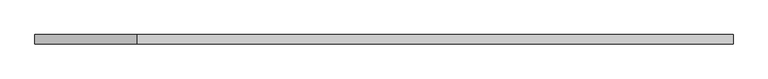
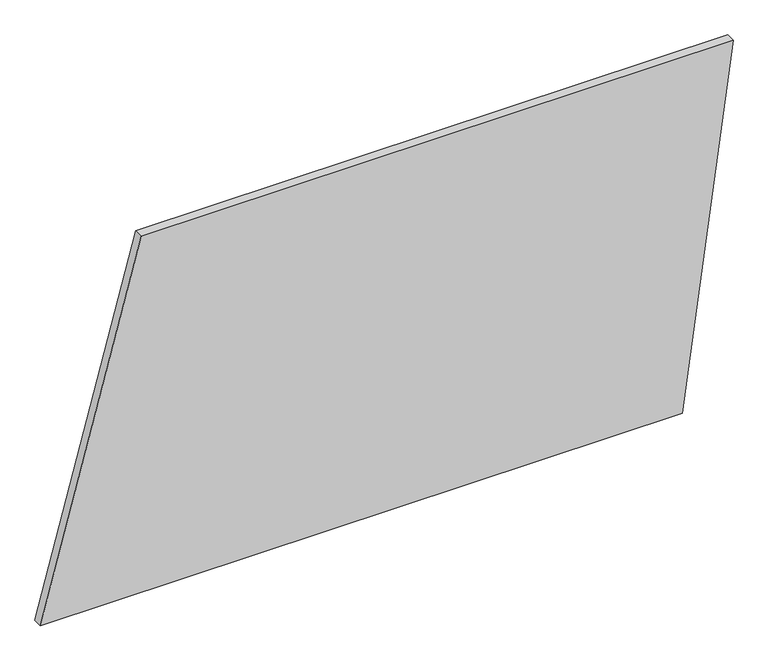
"""IFC4 building model written with IfcOpenShell, lengths in millimetres: plate geometry."""

from ifc_helpers import new_model, si_unit, frame, origin, place, context, project, spatial, polyline, outline, extrude, source, transform, mapped, element, save


def plate_5da0009e(model_context):
    return source(origin(), model_context, "Body", "SweptSolid", [
        extrude(outline(polyline([(0.0, -920.6025594), (0.0, 784.8505375), (1000.0, 920.6025594), (1000.0, -652.653367), (0.0, -920.6025594)])), frame((0.0, 24.5, 0.0), z_axis=(0.0, 1.0, 0.0), x_axis=(0.0, 0.0, 1.0)), (0.0, 0.0, 1.0), 25.0),
    ])


if __name__ == "__main__":
    model = new_model("IFC4")
    model_context = context("Model", 3, world=origin())
    ifc_project = project(units=[si_unit("LENGTHUNIT", "METRE", prefix="MILLI")], contexts=[model_context])
    site = spatial("IfcSite", under=ifc_project)
    building = spatial("IfcBuilding", under=site)
    placement = place(None, origin())
    plate_shape = plate_5da0009e(model_context)
    element("IfcPlate", 1, at=placement, inside=building, context=model_context, shape_type="MappedRepresentation", body=[
        mapped(plate_shape, transform((0.0, 0.0, 0.0), x_axis=(1.0, 0.0, 0.0), y_axis=(0.0, 1.0, 0.0), z_axis=(0.0, 0.0, 1.0))),
    ])
    save(model, "model.ifc")
